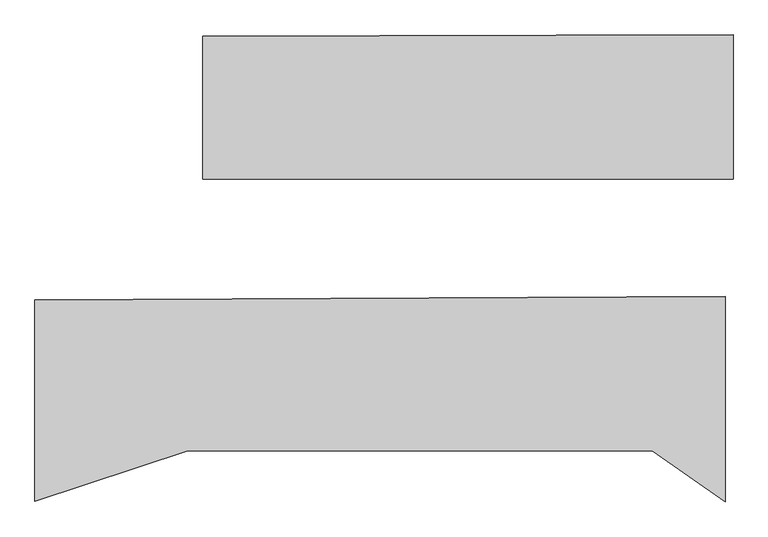
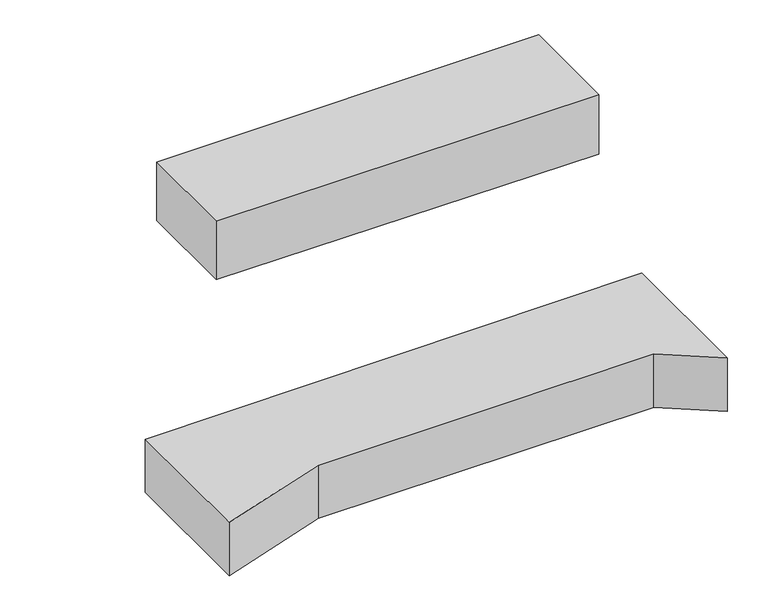
"""IFC4 building model written with IfcOpenShell, lengths in millimetres: proxy geometry."""

from ifc_helpers import new_model, si_unit, frame, origin, place, context, project, spatial, polyline, outline, extrude, faceted_brep, source, transform, mapped, element, save


def generic_models_15f72ef0(model_context):
    return source(origin(), model_context, "Body", "SolidModel", [
        faceted_brep([(7193.0475642, 118334.2209821, 9665.1913177), (8521.2362968, 118334.2209821, 9665.1913177), (8521.2362968, 118695.4048258, 9665.1913177), (7193.0475642, 118691.8698469, 9665.1913177), (8521.2362968, 118334.2209821, 9446.0417701), (8521.2362968, 118695.4048258, 9446.04095), (7193.0475642, 118691.8698469, 9449.5759301), (7193.0475642, 118334.2209821, 9449.5767422)], [[[0, 1, 2, 3]], [[2, 1, 4, 5]], [[0, 3, 6, 7]], [[1, 0, 7, 4]], [[3, 2, 5, 6]], [[5, 4, 7, 6]]]),
        extrude(outline(polyline([(8501.2362968, 117524.9186909), (8318.7855926, 117652.6720494), (7154.5934246, 117652.6720494), (6772.2698049, 117526.1133858), (6772.2698049, 118030.3888809), (8501.2362968, 118039.5922022), (8501.2362968, 117524.9186909)])), frame((0.0, 0.0, 8999.1225795), z_axis=(0.0, 0.0, 1.0), x_axis=(1.0, 0.0, 0.0)), (0.0, 0.0, 1.0), 195.8569805),
    ])


if __name__ == "__main__":
    model = new_model("IFC4")
    model_context = context("Model", 3, world=origin())
    ifc_project = project(units=[si_unit("LENGTHUNIT", "METRE", prefix="MILLI")], contexts=[model_context])
    site = spatial("IfcSite", under=ifc_project)
    building = spatial("IfcBuilding", under=site)
    placement = place(None, origin())
    generic_models_shape = generic_models_15f72ef0(model_context)
    element("IfcBuildingElementProxy", 1, Name="Generic Models", at=placement, inside=building, context=model_context, shape_type="MappedRepresentation", body=[
        mapped(generic_models_shape, transform((0.0, 0.0, 0.0), x_axis=(1.0, 0.0, 0.0), y_axis=(0.0, 1.0, 0.0), z_axis=(0.0, 0.0, 1.0))),
    ])
    save(model, "model.ifc")
